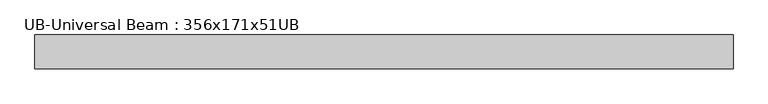
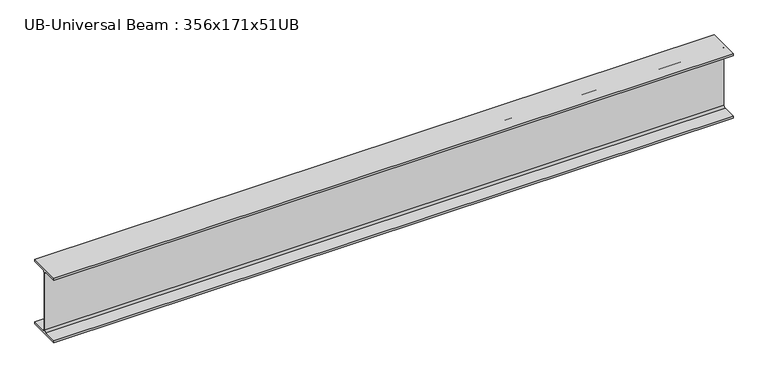
"""IFC4 building model written with IfcOpenShell, lengths in millimetres: beam geometry, UB-Universal Beam : 356x171x51UB."""

import ifcopenshell
import ifcopenshell.guid

model = None  # the IFC model being written
_history = None  # IfcOwnerHistory: only IFC2X3 demands one
_inside = {}  # id of a spatial element -> (the spatial element, [elements in it])
_under = {}  # id of a project, library or spatial element -> (it, [spatial elements below it])
_declared = {}  # id of a project -> (the project, [libraries it declares])
_typed = {}  # id of a type object -> (the type object, [elements of that type])
_made_of = {}  # id of a material, layer set ... -> (it, [elements and type objects made of it])


def new_model(schema):
    """Start an empty IFC model of exactly this schema.

    Asked for "IFC4X3", IfcOpenShell would pick the latest addendum, in which some entities
    have other attributes; the version numbers below select the first issue.
    IFC2X3 requires an IfcOwnerHistory on every rooted entity: one is made here for all.
    """
    global model, _history
    if schema == "IFC4X3":
        model = ifcopenshell.file(schema_version=(4, 3, 0, 0))
    else:
        model = ifcopenshell.file(schema=schema)
    _inside.clear()
    _under.clear()
    _declared.clear()
    _typed.clear()
    _made_of.clear()
    _history = None
    if model.schema == "IFC2X3":
        org = make("IfcOrganization", Name="unknown")
        user = make(
            "IfcPersonAndOrganization",
            ThePerson=make("IfcPerson", FamilyName="unknown"),
            TheOrganization=org,
        )
        app = make(
            "IfcApplication",
            ApplicationDeveloper=org,
            Version="unknown",
            ApplicationFullName="unknown",
            ApplicationIdentifier="unknown",
        )
        _history = make(
            "IfcOwnerHistory",
            OwningUser=user,
            OwningApplication=app,
            ChangeAction="ADDED",
            CreationDate=0,
        )
    return model


def make(cls, **values):
    """One entity of the class cls with the attributes given. An attribute that is None is left unset."""
    return model.create_entity(
        cls, **{name: value for name, value in values.items() if value is not None}
    )


def rooted(cls, **values):
    """An entity with a GlobalId (a new one), such as an element, a storey or a relation."""
    return make(cls, GlobalId=ifcopenshell.guid.new(), OwnerHistory=_history, **values)


def si_unit(unit_type, name, prefix=None):
    """IfcSIUnit, for example si_unit("LENGTHUNIT", "METRE", prefix="MILLI")."""
    return make("IfcSIUnit", UnitType=unit_type, Prefix=prefix, Name=name)


def assignment(units):
    """IfcUnitAssignment: the units of a project."""
    return None if units is None else make("IfcUnitAssignment", Units=units)


def point(xyz):
    """IfcCartesianPoint."""
    return None if xyz is None else make("IfcCartesianPoint", Coordinates=xyz)


def direction(xyz):
    """IfcDirection."""
    return None if xyz is None else make("IfcDirection", DirectionRatios=xyz)


def frame(location, z_axis=None, x_axis=None):
    """IfcAxis2Placement3D, a coordinate frame: its origin and axes. An axis left out is left unset."""
    return make(
        "IfcAxis2Placement3D",
        Location=point(location),
        Axis=direction(z_axis),
        RefDirection=direction(x_axis),
    )


def frame_2d(location, x_axis=None):
    """IfcAxis2Placement2D, a coordinate frame in the plane: its origin and x axis."""
    return make(
        "IfcAxis2Placement2D", Location=point(location), RefDirection=direction(x_axis)
    )


def origin():
    """The frame at (0, 0, 0) with its axes left unset."""
    return frame((0.0, 0.0, 0.0))


def place(relative_to, where):
    """IfcLocalPlacement: puts the frame where relative to a parent placement (None: the world)."""
    return make(
        "IfcLocalPlacement", PlacementRelTo=relative_to, RelativePlacement=where
    )


def context(
    kind, dimensions, precision=None, world=None, true_north=None, identifier=None
):
    """IfcGeometricRepresentationContext, for example the 3D "Model" context."""
    return make(
        "IfcGeometricRepresentationContext",
        ContextIdentifier=identifier,
        ContextType=kind,
        CoordinateSpaceDimension=dimensions,
        Precision=precision,
        WorldCoordinateSystem=world,
        TrueNorth=true_north,
    )


def project(units=None, contexts=None):
    """IfcProject with its units and contexts."""
    return rooted(
        "IfcProject",
        Name="project",
        RepresentationContexts=contexts,
        UnitsInContext=assignment(units),
    )


def spatial(cls, under=None, at=None, **own):
    """A site, building, storey or space (cls), placed at a placement, below another one or the project."""
    s = rooted(cls, ObjectPlacement=at, **own)
    if under is not None:
        _under.setdefault(under.id(), (under, []))[1].append(s)
    return s


def polyline(points):
    """IfcPolyline through the points."""
    return make("IfcPolyline", Points=[point(p) for p in points])


def circle_curve(where, radius):
    """IfcCircle in the frame where."""
    return make("IfcCircle", Position=where, Radius=radius)


def trimmed(basis, trim1, trim2, sense, master):
    """IfcTrimmedCurve: the piece of a basis curve between two trims."""
    return make(
        "IfcTrimmedCurve",
        BasisCurve=basis,
        Trim1=trim1,
        Trim2=trim2,
        SenseAgreement=sense,
        MasterRepresentation=master,
    )


def segment(curve, same_sense, transition):
    """IfcCompositeCurveSegment."""
    return make(
        "IfcCompositeCurveSegment",
        Transition=transition,
        SameSense=same_sense,
        ParentCurve=curve,
    )


def composite_curve(segments, self_intersect=None):
    """IfcCompositeCurve: segments joined end to end."""
    return make("IfcCompositeCurve", Segments=segments, SelfIntersect=self_intersect)


def outline(outer, holes=None, kind="AREA"):
    """IfcArbitraryClosedProfileDef: a profile drawn as a closed curve; with holes, ...WithVoids."""
    if holes is None:
        return make("IfcArbitraryClosedProfileDef", ProfileType=kind, OuterCurve=outer)
    return make(
        "IfcArbitraryProfileDefWithVoids",
        ProfileType=kind,
        OuterCurve=outer,
        InnerCurves=holes,
    )


def extrude(swept, where, along, depth):
    """IfcExtrudedAreaSolid: the profile swept, set in the frame where, extruded along a direction by depth."""
    return make(
        "IfcExtrudedAreaSolid",
        SweptArea=swept,
        Position=where,
        ExtrudedDirection=direction(along),
        Depth=depth,
    )


def shape(context_of_items, identifier, shape_type, items):
    """IfcShapeRepresentation: the items that make up one representation, for example the "Body"."""
    return make(
        "IfcShapeRepresentation",
        ContextOfItems=context_of_items,
        RepresentationIdentifier=identifier,
        RepresentationType=shape_type,
        Items=items,
    )


def source(mapping_origin, context_of_items, identifier, shape_type, items):
    """IfcRepresentationMap: a shape defined once, which mapped items show again and again."""
    return make(
        "IfcRepresentationMap",
        MappingOrigin=mapping_origin,
        MappedRepresentation=shape(context_of_items, identifier, shape_type, items),
    )


def transform(
    local_origin,
    x_axis=None,
    y_axis=None,
    z_axis=None,
    scale=None,
    scale2=None,
    scale3=None,
    uniform=True,
):
    """IfcCartesianTransformationOperator3D, or its non-uniform kind. x_axis, y_axis, z_axis: its Axis1, 2, 3."""
    if uniform:
        return make(
            "IfcCartesianTransformationOperator3D",
            Axis1=direction(x_axis),
            Axis2=direction(y_axis),
            LocalOrigin=point(local_origin),
            Scale=scale,
            Axis3=direction(z_axis),
        )
    return make(
        "IfcCartesianTransformationOperator3DnonUniform",
        Axis1=direction(x_axis),
        Axis2=direction(y_axis),
        LocalOrigin=point(local_origin),
        Scale=scale,
        Axis3=direction(z_axis),
        Scale2=scale2,
        Scale3=scale3,
    )


def mapped(mapping_source, mapping_target):
    """IfcMappedItem: shows the shape of a source again, moved by a transform."""
    return make(
        "IfcMappedItem", MappingSource=mapping_source, MappingTarget=mapping_target
    )


def made_of(thing, what):
    """Note that an element or type object is made of a material, layer set ...; save() writes the relation."""
    if what is not None:
        _made_of.setdefault(what.id(), (what, []))[1].append(thing)
    return thing


def element(
    cls,
    number,
    at=None,
    inside=None,
    cuts=None,
    type_object=None,
    material=None,
    context=None,
    identifier="Body",
    shape_type=None,
    held_by="IfcProductDefinitionShape",
    body=None,
    shapes=None,
    **own,
):
    """One element of the class cls, such as IfcWall. Its Tag is "e" and its number.

    at: its placement. inside: the storey or other place that contains it. cuts: it is an
    opening in that element (IfcRelVoidsElement). A single representation is given by context,
    identifier, shape_type and body (its items); several are given by shapes. held_by: the class
    of the entity that holds the representations. save() writes the other relations.
    """
    e = rooted(cls, Tag="e%d" % number, ObjectPlacement=at, **own)
    if body is not None:
        shapes = [shape(context, identifier, shape_type, body)]
    if shapes is not None:
        e.Representation = make(held_by, Representations=shapes)
    if inside is not None:
        _inside.setdefault(inside.id(), (inside, []))[1].append(e)
    if cuts is not None:
        rooted(
            "IfcRelVoidsElement", RelatingBuildingElement=cuts, RelatedOpeningElement=e
        )
    if type_object is not None:
        _typed.setdefault(type_object.id(), (type_object, []))[1].append(e)
    return made_of(e, material)


def aggregate(whole, parts):
    """IfcRelAggregates: a whole, such as a stair, and the parts it consists of."""
    return rooted("IfcRelAggregates", RelatingObject=whole, RelatedObjects=parts)


def save(model, path):
    """Write the relations noted so far, then the file.

    IfcRelAggregates (storeys below a building ...), IfcRelContainedInSpatialStructure (elements
    in a storey), IfcRelDefinesByType, IfcRelAssociatesMaterial and IfcRelDeclares: one each for
    every whole, place, type object, material and project.
    """
    for whole, parts in _under.values():
        aggregate(whole, parts)
    for where, things in _inside.values():
        rooted(
            "IfcRelContainedInSpatialStructure",
            RelatedElements=things,
            RelatingStructure=where,
        )
    for kind, things in _typed.values():
        rooted("IfcRelDefinesByType", RelatedObjects=things, RelatingType=kind)
    for what, things in _made_of.values():
        rooted("IfcRelAssociatesMaterial", RelatedObjects=things, RelatingMaterial=what)
    for by, libraries in _declared.values():
        rooted("IfcRelDeclares", RelatingContext=by, RelatedDefinitions=libraries)
    model.write(path)


def ub_universal_beam_356x171x51ub_7c652e37(model_context):
    return source(origin(), model_context, "Body", "SweptSolid", [
        extrude(outline(composite_curve([segment(polyline([(85.75, -166.0), (85.75, -177.5), (-85.75, -177.5), (-85.75, -166.0), (-13.9, -166.0)]), True, "CONTINUOUS"), segment(trimmed(circle_curve(frame_2d((-13.9, -155.8)), 10.2), [point((-13.9, -166.0))], [point((-3.7, -155.8))], True, "CARTESIAN"), True, "CONTINUOUS"), segment(polyline([(-3.7, -155.8), (-3.7, 155.8)]), True, "CONTINUOUS"), segment(trimmed(circle_curve(frame_2d((-13.9, 155.8)), 10.2), [point((-3.7, 155.8))], [point((-13.9, 166.0))], True, "CARTESIAN"), True, "CONTINUOUS"), segment(polyline([(-13.9, 166.0), (-85.75, 166.0), (-85.75, 177.5), (85.75, 177.5), (85.75, 166.0), (13.9, 166.0)]), True, "CONTINUOUS"), segment(trimmed(circle_curve(frame_2d((13.9, 155.8)), 10.2), [point((13.9, 166.0))], [point((3.7, 155.8))], True, "CARTESIAN"), True, "CONTINUOUS"), segment(polyline([(3.7, 155.8), (3.7, -155.8)]), True, "CONTINUOUS"), segment(trimmed(circle_curve(frame_2d((13.9, -155.8)), 10.2), [point((3.7, -155.8))], [point((13.9, -166.0))], True, "CARTESIAN"), True, "CONTINUOUS"), segment(polyline([(13.9, -166.0), (85.75, -166.0)]), True, "CONTINUOUS")], self_intersect=False)), frame((-1837.0970073, 0.0, 0.0), z_axis=(1.0, 0.0, 0.0), x_axis=(0.0, 1.0, 0.0)), (0.0, 0.0, 1.0), 3529.1940152),
    ])


if __name__ == "__main__":
    model = new_model("IFC4")
    model_context = context("Model", 3, world=origin())
    ifc_project = project(units=[si_unit("LENGTHUNIT", "METRE", prefix="MILLI")], contexts=[model_context])
    site = spatial("IfcSite", under=ifc_project)
    building = spatial("IfcBuilding", under=site)
    placement = place(None, origin())
    ub_universal_beam_356x171x51ub_shape = ub_universal_beam_356x171x51ub_7c652e37(model_context)
    element("IfcBeam", 1, ObjectType="UB-Universal Beam : 356x171x51UB", at=placement, inside=building, context=model_context, shape_type="MappedRepresentation", body=[
        mapped(ub_universal_beam_356x171x51ub_shape, transform((0.0, 0.0, 0.0), x_axis=(1.0, 0.0, 0.0), y_axis=(0.0, 1.0, 0.0), z_axis=(0.0, 0.0, 1.0))),
    ])
    save(model, "model.ifc")
